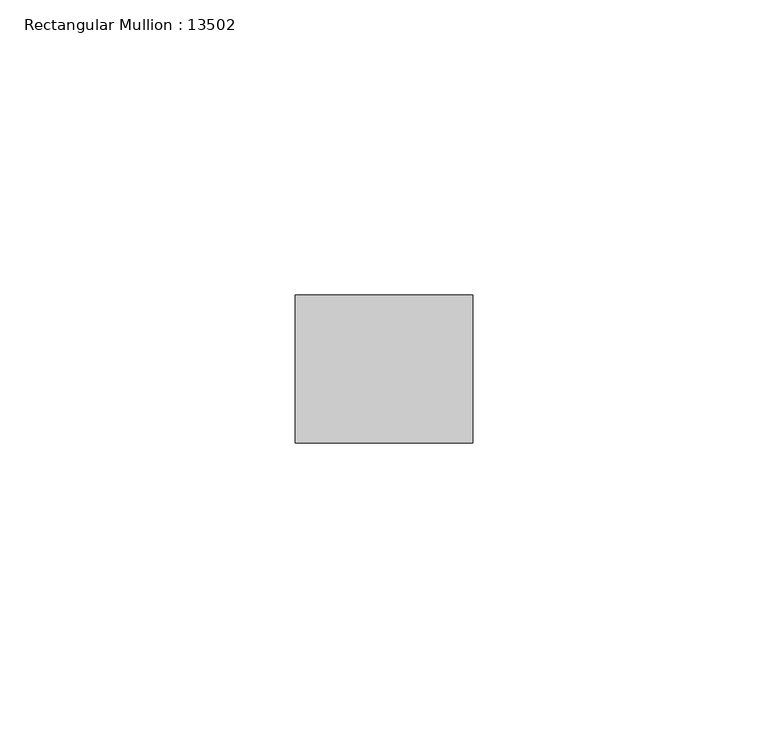
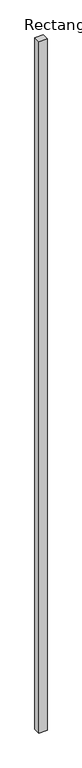
"""IFC4 building model written with IfcOpenShell, lengths in millimetres: member geometry, Rectangular Mullion : 13502."""

from ifc_helpers import new_model, si_unit, frame, origin, place, context, project, spatial, polyline, outline, extrude, source, transform, mapped, element, save


def rectangular_mullion_13502_c81b1bec(model_context):
    return source(origin(), model_context, "Body", "SweptSolid", [
        extrude(outline(polyline([(-29.9999993, -12.5), (-29.9999993, 12.5), (0.0, 12.5), (0.0, -12.5), (-29.9999993, -12.5)])), frame((0.0, 0.0, -2670.0000007), z_axis=(0.0, 0.0, 1.0), x_axis=(1.0, 0.0, 0.0)), (0.0, 0.0, 1.0), 2670.0000007),
    ])


if __name__ == "__main__":
    model = new_model("IFC4")
    model_context = context("Model", 3, world=origin())
    ifc_project = project(units=[si_unit("LENGTHUNIT", "METRE", prefix="MILLI")], contexts=[model_context])
    site = spatial("IfcSite", under=ifc_project)
    building = spatial("IfcBuilding", under=site)
    placement = place(None, origin())
    rectangular_mullion_13502_shape = rectangular_mullion_13502_c81b1bec(model_context)
    element("IfcMember", 1, ObjectType="Rectangular Mullion : 13502", at=placement, inside=building, context=model_context, shape_type="MappedRepresentation", body=[
        mapped(rectangular_mullion_13502_shape, transform((0.0, 0.0, 0.0), x_axis=(1.0, 0.0, 0.0), y_axis=(0.0, 1.0, 0.0), z_axis=(0.0, 0.0, 1.0))),
    ])
    save(model, "model.ifc")
